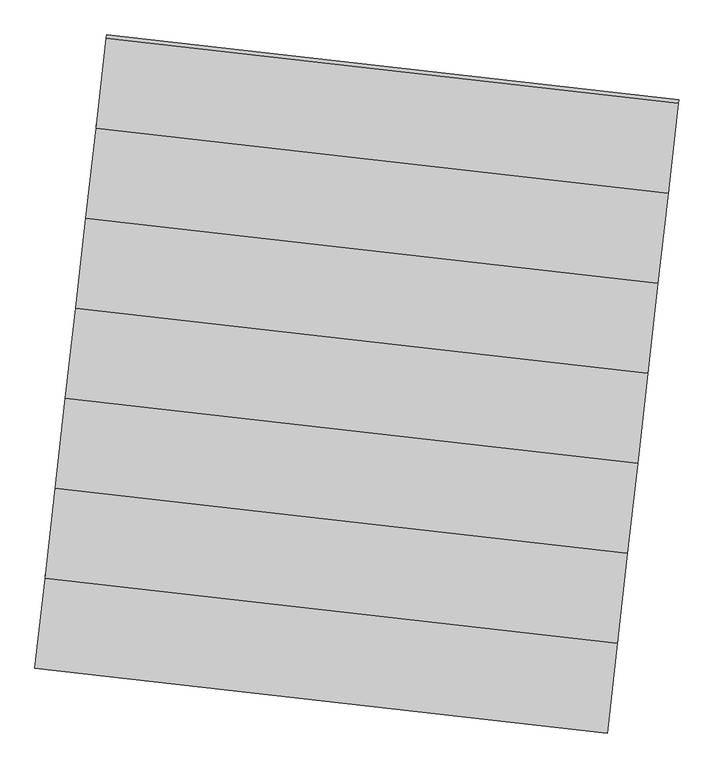
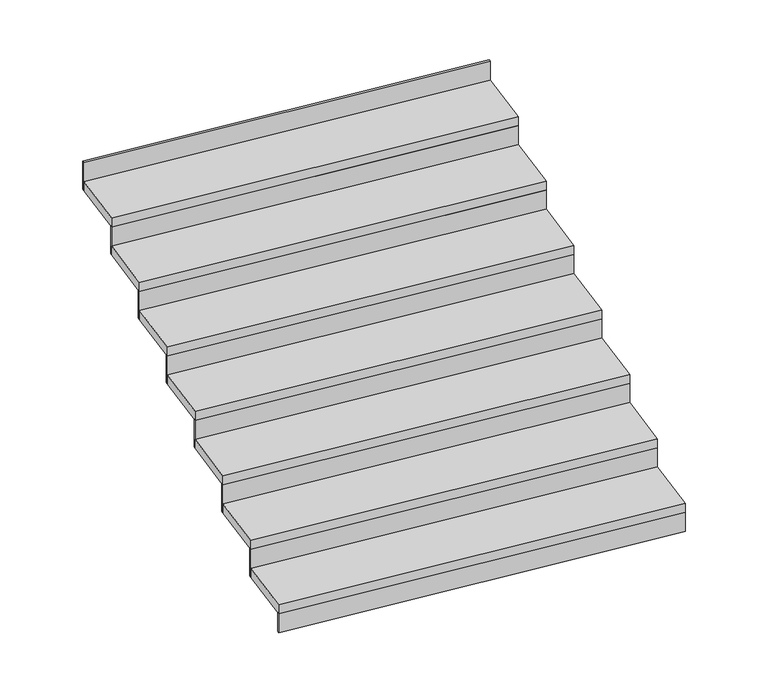
"""IFC4 building model written with IfcOpenShell, lengths in millimetres: stair flight geometry."""

from ifc_helpers import new_model, si_unit, frame, origin, place, context, project, spatial, polyline, outline, extrude, source, transform, mapped, element, save


def stair_flight_82656be4(model_context):
    return source(origin(), model_context, "Body", "SweptSolid", [
        extrude(outline(polyline([(-8800.8568495, 39022.1324002), (-8802.2630976, 39009.7117534), (-10825.9778439, 39238.8338904), (-10824.5715957, 39251.2545372), (-8800.8568495, 39022.1324002)])), frame((0.0, 0.0, 5250.0), z_axis=(0.0, 0.0, 1.0), x_axis=(1.0, 0.0, 0.0)), (0.0, 0.0, 1.0), 106.25),
        extrude(outline(polyline([(-10789.9778911, 39556.8024476), (-8766.2631449, 39327.6803107), (-8802.2630976, 39009.7117534), (-10825.9778439, 39238.8338904), (-10789.9778911, 39556.8024476)])), frame((0.0, 0.0, 5356.25), z_axis=(0.0, 0.0, 1.0), x_axis=(1.0, 0.0, 0.0)), (0.0, 0.0, 1.0), 50.0),
        extrude(outline(polyline([(-8764.8568967, 39340.1009574), (-8766.2631449, 39327.6803107), (-10789.9778911, 39556.8024476), (-10788.5716429, 39569.2230944), (-8764.8568967, 39340.1009574)])), frame((0.0, 0.0, 5356.25), z_axis=(0.0, 0.0, 1.0), x_axis=(1.0, 0.0, 0.0)), (0.0, 0.0, 1.0), 156.25),
        extrude(outline(polyline([(-10753.9779383, 39874.7710049), (-8730.2631921, 39645.6488679), (-8766.2631449, 39327.6803107), (-10789.9778911, 39556.8024476), (-10753.9779383, 39874.7710049)])), frame((0.0, 0.0, 5512.5), z_axis=(0.0, 0.0, 1.0), x_axis=(1.0, 0.0, 0.0)), (0.0, 0.0, 1.0), 50.0),
        extrude(outline(polyline([(-8728.8569439, 39658.0695147), (-8730.2631921, 39645.6488679), (-10753.9779383, 39874.7710049), (-10752.5716901, 39887.1916516), (-8728.8569439, 39658.0695147)])), frame((0.0, 0.0, 5512.5), z_axis=(0.0, 0.0, 1.0), x_axis=(1.0, 0.0, 0.0)), (0.0, 0.0, 1.0), 156.25),
        extrude(outline(polyline([(-10717.9779855, 40192.7395621), (-8694.2632393, 39963.6174252), (-8730.2631921, 39645.6488679), (-10753.9779383, 39874.7710049), (-10717.9779855, 40192.7395621)])), frame((0.0, 0.0, 5668.75), z_axis=(0.0, 0.0, 1.0), x_axis=(1.0, 0.0, 0.0)), (0.0, 0.0, 1.0), 50.0),
        extrude(outline(polyline([(-8692.8569911, 39976.0380719), (-8694.2632393, 39963.6174252), (-10717.9779855, 40192.7395621), (-10716.5717373, 40205.1602089), (-8692.8569911, 39976.0380719)])), frame((0.0, 0.0, 5668.75), z_axis=(0.0, 0.0, 1.0), x_axis=(1.0, 0.0, 0.0)), (0.0, 0.0, 1.0), 156.25),
        extrude(outline(polyline([(-10681.9780327, 40510.7081194), (-8658.2632865, 40281.5859824), (-8694.2632393, 39963.6174252), (-10717.9779855, 40192.7395621), (-10681.9780327, 40510.7081194)])), frame((0.0, 0.0, 5825.0), z_axis=(0.0, 0.0, 1.0), x_axis=(1.0, 0.0, 0.0)), (0.0, 0.0, 1.0), 50.0),
        extrude(outline(polyline([(-8656.8570383, 40294.0066292), (-8658.2632865, 40281.5859824), (-10681.9780327, 40510.7081194), (-10680.5717845, 40523.1287661), (-8656.8570383, 40294.0066292)])), frame((0.0, 0.0, 5825.0), z_axis=(0.0, 0.0, 1.0), x_axis=(1.0, 0.0, 0.0)), (0.0, 0.0, 1.0), 156.25),
        extrude(outline(polyline([(-10645.9780799, 40828.6766766), (-8622.2633337, 40599.5545397), (-8658.2632865, 40281.5859824), (-10681.9780327, 40510.7081194), (-10645.9780799, 40828.6766766)])), frame((0.0, 0.0, 5981.25), z_axis=(0.0, 0.0, 1.0), x_axis=(1.0, 0.0, 0.0)), (0.0, 0.0, 1.0), 50.0),
        extrude(outline(polyline([(-8620.8570855, 40611.9751864), (-8622.2633337, 40599.5545397), (-10645.9780799, 40828.6766766), (-10644.5718318, 40841.0973234), (-8620.8570855, 40611.9751864)])), frame((0.0, 0.0, 5981.25), z_axis=(0.0, 0.0, 1.0), x_axis=(1.0, 0.0, 0.0)), (0.0, 0.0, 1.0), 156.25),
        extrude(outline(polyline([(-10609.9781271, 41146.6452339), (-8586.2633809, 40917.5230969), (-8622.2633337, 40599.5545397), (-10645.9780799, 40828.6766766), (-10609.9781271, 41146.6452339)])), frame((0.0, 0.0, 6137.5), z_axis=(0.0, 0.0, 1.0), x_axis=(1.0, 0.0, 0.0)), (0.0, 0.0, 1.0), 50.0),
        extrude(outline(polyline([(-8584.8571328, 40929.9437437), (-8586.2633809, 40917.5230969), (-10609.9781271, 41146.6452339), (-10608.571879, 41159.0658806), (-8584.8571328, 40929.9437437)])), frame((0.0, 0.0, 6137.5), z_axis=(0.0, 0.0, 1.0), x_axis=(1.0, 0.0, 0.0)), (0.0, 0.0, 1.0), 156.25),
        extrude(outline(polyline([(-8548.85718, 41247.9123009), (-8550.2634281, 41235.4916542), (-10573.9781743, 41464.6137911), (-10572.5719262, 41477.0344379), (-8548.85718, 41247.9123009)])), frame((0.0, 0.0, 6293.75), z_axis=(0.0, 0.0, 1.0), x_axis=(1.0, 0.0, 0.0)), (0.0, 0.0, 1.0), 156.25),
        extrude(outline(polyline([(-10573.9781743, 41464.6137911), (-8550.2634281, 41235.4916542), (-8586.2633809, 40917.5230969), (-10609.9781271, 41146.6452339), (-10573.9781743, 41464.6137911)])), frame((0.0, 0.0, 6293.75), z_axis=(0.0, 0.0, 1.0), x_axis=(1.0, 0.0, 0.0)), (0.0, 0.0, 1.0), 50.0),
    ])


if __name__ == "__main__":
    model = new_model("IFC4")
    model_context = context("Model", 3, world=origin())
    ifc_project = project(units=[si_unit("LENGTHUNIT", "METRE", prefix="MILLI")], contexts=[model_context])
    site = spatial("IfcSite", under=ifc_project)
    building = spatial("IfcBuilding", under=site)
    placement = place(None, origin())
    stair_flight_shape = stair_flight_82656be4(model_context)
    element("IfcStairFlight", 1, at=placement, inside=building, context=model_context, shape_type="MappedRepresentation", body=[
        mapped(stair_flight_shape, transform((0.0, 0.0, 0.0), x_axis=(1.0, 0.0, 0.0), y_axis=(0.0, 1.0, 0.0), z_axis=(0.0, 0.0, 1.0))),
    ])
    save(model, "model.ifc")
